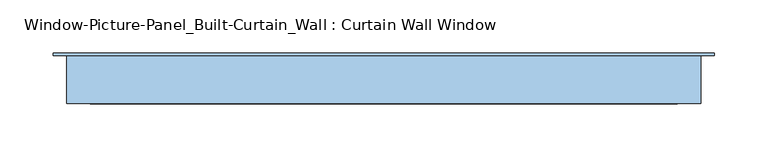
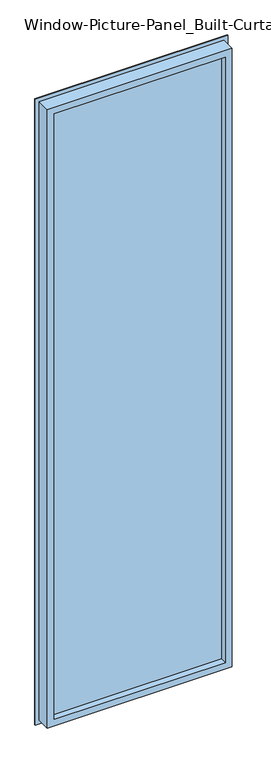
"""IFC4 building model written with IfcOpenShell, lengths in millimetres: window geometry, Window-Picture-Panel_Built-Curtain_Wall : Curtain Wall Window."""

from ifc_helpers import new_model, si_unit, frame, origin, place, context, project, spatial, polyline, outline, extrude, faceted_brep, source, transform, mapped, element, save


def window_picture_panel_built_curtain_wall_curtain_wall_window_2b969115(model_context):
    return source(origin(), model_context, "Body", "SolidModel", [
        extrude(outline(polyline([(285.75, 32.9044336), (285.75, 26.5544336), (-285.75, 26.5544336), (-285.75, 32.9044336), (285.75, 32.9044336)])), frame((0.0, 0.0, 12.7), z_axis=(0.0, 0.0, 1.0), x_axis=(1.0, 0.0, 0.0)), (0.0, 0.0, 1.0), 2082.8),
        faceted_brep([(-298.45, 5.5372, 2108.2), (-298.45, 50.8, 2108.2), (-298.45, 50.8, 0.0), (-298.45, 5.5372, 0.0), (-311.15, 50.8, -12.7), (311.15, 50.8, -12.7), (311.15, 50.8, 2120.9), (-311.15, 50.8, 2120.9), (298.45, 50.8, 2108.2), (298.45, 50.8, 0.0), (298.45, 5.5372, 0.0), (298.45, 5.5372, 2108.2), (-276.2339566, 5.5372, 2085.9839566), (276.2339566, 5.5372, 2085.9839566), (276.2339566, 5.5372, 22.2160434), (-276.2339566, 5.5372, 22.2160434), (-276.2339566, 26.5544336, 2085.9839566), (-276.2339566, 26.5544336, 22.2160434), (276.2339566, 26.5544336, 22.2160434), (-285.75, 26.5544336, 2095.5), (285.75, 26.5544336, 2095.5), (285.75, 26.5544336, 12.7), (-285.75, 26.5544336, 12.7), (276.2339566, 26.5544336, 2085.9839566), (-285.75, 32.9044336, 2095.5), (-285.75, 32.9044336, 12.7), (285.75, 32.9044336, 12.7), (285.75, 32.9044336, 2095.5), (-276.2339566, 32.9044336, 2085.9839566), (276.2339566, 32.9044336, 2085.9839566), (276.2339566, 32.9044336, 22.2160434), (-276.2339566, 32.9044336, 22.2160434), (-276.2339566, 40.4712173, 2085.9839566), (-276.2339566, 40.4712173, 22.2160434), (276.2339566, 40.4712173, 22.2160434), (-288.9649799, 53.1622, 2098.7149799), (-288.9649799, 53.1622, 9.4850201), (288.9649799, 53.1622, 9.4850201), (-311.15, 53.1622, 2120.9), (311.15, 53.1622, 2120.9), (311.15, 53.1622, -12.7), (-311.15, 53.1622, -12.7), (288.9649799, 53.1622, 2098.7149799), (276.2339566, 40.4712173, 2085.9839566)], [[[0, 1, 2, 3]], [[4, 5, 6, 7], [1, 8, 9, 2]], [[3, 2, 9, 10]], [[3, 10, 11, 0], [12, 13, 14, 15]], [[16, 12, 15, 17]], [[17, 15, 14, 18]], [[19, 20, 21, 22], [17, 18, 23, 16]], [[24, 19, 22, 25]], [[25, 22, 21, 26]], [[25, 26, 27, 24], [28, 29, 30, 31]], [[32, 28, 31, 33]], [[33, 31, 30, 34]], [[35, 32, 33, 36]], [[36, 33, 34, 37]], [[38, 39, 40, 41], [36, 37, 42, 35]], [[7, 38, 41, 4]], [[4, 41, 40, 5]], [[10, 9, 8, 11]], [[18, 14, 13, 23]], [[26, 21, 20, 27]], [[34, 30, 29, 43]], [[37, 34, 43, 42]], [[5, 40, 39, 6]], [[11, 8, 1, 0]], [[23, 13, 12, 16]], [[27, 20, 19, 24]], [[43, 29, 28, 32]], [[42, 43, 32, 35]], [[6, 39, 38, 7]]]),
    ])


if __name__ == "__main__":
    model = new_model("IFC4")
    model_context = context("Model", 3, world=origin())
    ifc_project = project(units=[si_unit("LENGTHUNIT", "METRE", prefix="MILLI")], contexts=[model_context])
    site = spatial("IfcSite", under=ifc_project)
    building = spatial("IfcBuilding", under=site)
    placement = place(None, origin())
    window_picture_panel_built_curtain_wall_curtain_wall_window_shape = window_picture_panel_built_curtain_wall_curtain_wall_window_2b969115(model_context)
    element("IfcWindow", 1, ObjectType="Window-Picture-Panel_Built-Curtain_Wall : Curtain Wall Window", at=placement, inside=building, context=model_context, shape_type="MappedRepresentation", body=[
        mapped(window_picture_panel_built_curtain_wall_curtain_wall_window_shape, transform((0.0, 0.0, 0.0), x_axis=(1.0, 0.0, 0.0), y_axis=(0.0, 1.0, 0.0), z_axis=(0.0, 0.0, 1.0))),
    ])
    save(model, "model.ifc")
